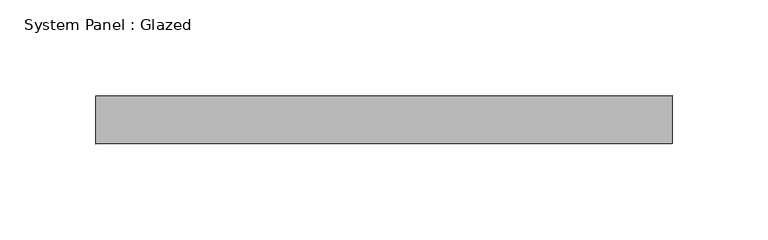
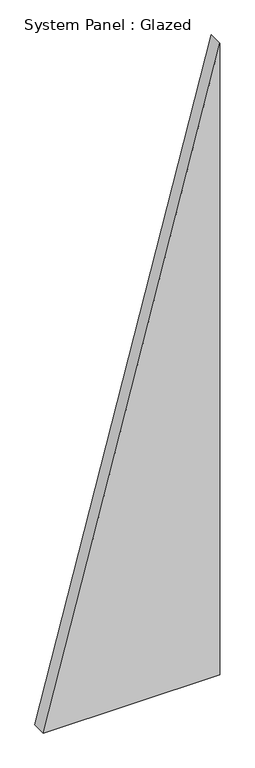
"""IFC4 building model written with IfcOpenShell, lengths in millimetres: plate geometry, System Panel : Glazed."""

from ifc_helpers import new_model, si_unit, frame, origin, place, context, project, spatial, polyline, outline, extrude, source, transform, mapped, element, save


def system_panel_glazed_68863635(model_context):
    return source(origin(), model_context, "Body", "SweptSolid", [
        extrude(outline(polyline([(0.0, -150.0000002), (0.0, 150.0000002), (1135.1351363, 150.0000002), (0.0, -150.0000002)])), frame((0.0, 24.5, 0.0), z_axis=(0.0, 1.0, 0.0), x_axis=(0.0, 0.0, 1.0)), (0.0, 0.0, 1.0), 25.0),
    ])


if __name__ == "__main__":
    model = new_model("IFC4")
    model_context = context("Model", 3, world=origin())
    ifc_project = project(units=[si_unit("LENGTHUNIT", "METRE", prefix="MILLI")], contexts=[model_context])
    site = spatial("IfcSite", under=ifc_project)
    building = spatial("IfcBuilding", under=site)
    placement = place(None, origin())
    system_panel_glazed_shape = system_panel_glazed_68863635(model_context)
    element("IfcPlate", 1, ObjectType="System Panel : Glazed", at=placement, inside=building, context=model_context, shape_type="MappedRepresentation", body=[
        mapped(system_panel_glazed_shape, transform((0.0, 0.0, 0.0), x_axis=(1.0, 0.0, 0.0), y_axis=(0.0, 1.0, 0.0), z_axis=(0.0, 0.0, 1.0))),
    ])
    save(model, "model.ifc")
